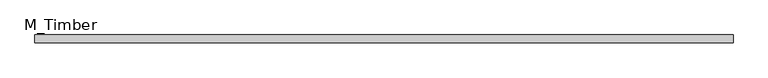
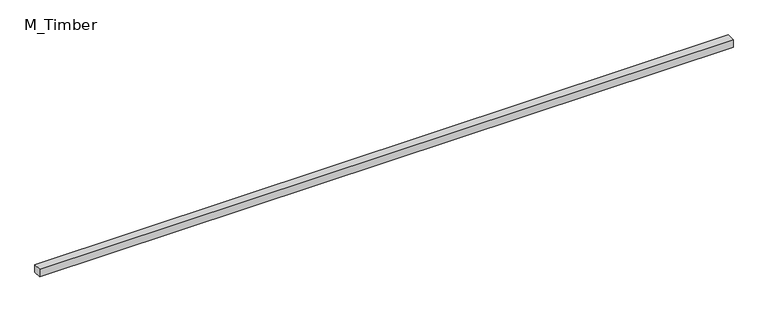
"""IFC4 building model written with IfcOpenShell, lengths in millimetres: beam geometry, M_Timber."""

from ifc_helpers import new_model, si_unit, frame, origin, place, context, project, spatial, polyline, outline, extrude, source, transform, mapped, element, save


def m_timber_94979bdc(model_context):
    return source(origin(), model_context, "Body", "SweptSolid", [
        extrude(outline(polyline([(1732.5953089, 20.0), (1732.5953089, -20.0), (-1732.5953089, -20.0), (-1732.5953089, 20.0), (1732.5953089, 20.0)])), frame((0.0, 0.0, -20.0), z_axis=(0.0, 0.0, 1.0), x_axis=(1.0, 0.0, 0.0)), (0.0, 0.0, 1.0), 40.0),
    ])


if __name__ == "__main__":
    model = new_model("IFC4")
    model_context = context("Model", 3, world=origin())
    ifc_project = project(units=[si_unit("LENGTHUNIT", "METRE", prefix="MILLI")], contexts=[model_context])
    site = spatial("IfcSite", under=ifc_project)
    building = spatial("IfcBuilding", under=site)
    placement = place(None, origin())
    m_timber_shape = m_timber_94979bdc(model_context)
    element("IfcBeam", 1, ObjectType="M_Timber", at=placement, inside=building, context=model_context, shape_type="MappedRepresentation", body=[
        mapped(m_timber_shape, transform((0.0, 0.0, 0.0), x_axis=(1.0, 0.0, 0.0), y_axis=(0.0, 1.0, 0.0), z_axis=(0.0, 0.0, 1.0))),
    ])
    save(model, "model.ifc")
